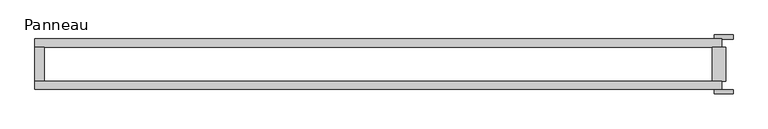
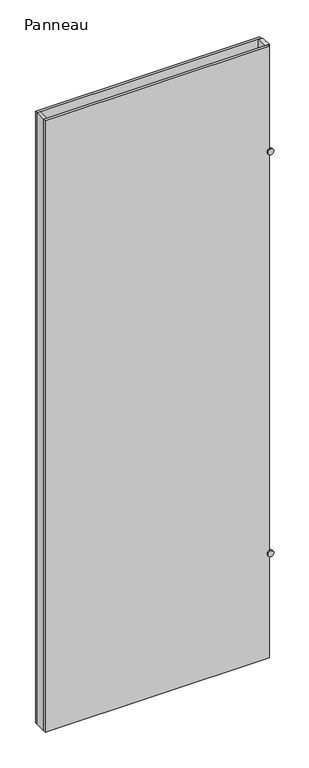
"""IFC4 building model written with IfcOpenShell, lengths in millimetres: plate geometry, Panneau."""

import ifcopenshell
import ifcopenshell.guid

model = None  # the IFC model being written
_history = None  # IfcOwnerHistory: only IFC2X3 demands one
_inside = {}  # id of a spatial element -> (the spatial element, [elements in it])
_under = {}  # id of a project, library or spatial element -> (it, [spatial elements below it])
_declared = {}  # id of a project -> (the project, [libraries it declares])
_typed = {}  # id of a type object -> (the type object, [elements of that type])
_made_of = {}  # id of a material, layer set ... -> (it, [elements and type objects made of it])


def new_model(schema):
    """Start an empty IFC model of exactly this schema.

    Asked for "IFC4X3", IfcOpenShell would pick the latest addendum, in which some entities
    have other attributes; the version numbers below select the first issue.
    IFC2X3 requires an IfcOwnerHistory on every rooted entity: one is made here for all.
    """
    global model, _history
    if schema == "IFC4X3":
        model = ifcopenshell.file(schema_version=(4, 3, 0, 0))
    else:
        model = ifcopenshell.file(schema=schema)
    _inside.clear()
    _under.clear()
    _declared.clear()
    _typed.clear()
    _made_of.clear()
    _history = None
    if model.schema == "IFC2X3":
        org = make("IfcOrganization", Name="unknown")
        user = make(
            "IfcPersonAndOrganization",
            ThePerson=make("IfcPerson", FamilyName="unknown"),
            TheOrganization=org,
        )
        app = make(
            "IfcApplication",
            ApplicationDeveloper=org,
            Version="unknown",
            ApplicationFullName="unknown",
            ApplicationIdentifier="unknown",
        )
        _history = make(
            "IfcOwnerHistory",
            OwningUser=user,
            OwningApplication=app,
            ChangeAction="ADDED",
            CreationDate=0,
        )
    return model


def make(cls, **values):
    """One entity of the class cls with the attributes given. An attribute that is None is left unset."""
    return model.create_entity(
        cls, **{name: value for name, value in values.items() if value is not None}
    )


def rooted(cls, **values):
    """An entity with a GlobalId (a new one), such as an element, a storey or a relation."""
    return make(cls, GlobalId=ifcopenshell.guid.new(), OwnerHistory=_history, **values)


def si_unit(unit_type, name, prefix=None):
    """IfcSIUnit, for example si_unit("LENGTHUNIT", "METRE", prefix="MILLI")."""
    return make("IfcSIUnit", UnitType=unit_type, Prefix=prefix, Name=name)


def assignment(units):
    """IfcUnitAssignment: the units of a project."""
    return None if units is None else make("IfcUnitAssignment", Units=units)


def point(xyz):
    """IfcCartesianPoint."""
    return None if xyz is None else make("IfcCartesianPoint", Coordinates=xyz)


def direction(xyz):
    """IfcDirection."""
    return None if xyz is None else make("IfcDirection", DirectionRatios=xyz)


def frame(location, z_axis=None, x_axis=None):
    """IfcAxis2Placement3D, a coordinate frame: its origin and axes. An axis left out is left unset."""
    return make(
        "IfcAxis2Placement3D",
        Location=point(location),
        Axis=direction(z_axis),
        RefDirection=direction(x_axis),
    )


def frame_2d(location, x_axis=None):
    """IfcAxis2Placement2D, a coordinate frame in the plane: its origin and x axis."""
    return make(
        "IfcAxis2Placement2D", Location=point(location), RefDirection=direction(x_axis)
    )


def origin():
    """The frame at (0, 0, 0) with its axes left unset."""
    return frame((0.0, 0.0, 0.0))


def origin_with_axes():
    """The frame at (0, 0, 0) with the z axis (0, 0, 1) and the x axis (1, 0, 0) written out."""
    return frame((0.0, 0.0, 0.0), z_axis=(0.0, 0.0, 1.0), x_axis=(1.0, 0.0, 0.0))


def place(relative_to, where):
    """IfcLocalPlacement: puts the frame where relative to a parent placement (None: the world)."""
    return make(
        "IfcLocalPlacement", PlacementRelTo=relative_to, RelativePlacement=where
    )


def context(
    kind, dimensions, precision=None, world=None, true_north=None, identifier=None
):
    """IfcGeometricRepresentationContext, for example the 3D "Model" context."""
    return make(
        "IfcGeometricRepresentationContext",
        ContextIdentifier=identifier,
        ContextType=kind,
        CoordinateSpaceDimension=dimensions,
        Precision=precision,
        WorldCoordinateSystem=world,
        TrueNorth=true_north,
    )


def project(units=None, contexts=None):
    """IfcProject with its units and contexts."""
    return rooted(
        "IfcProject",
        Name="project",
        RepresentationContexts=contexts,
        UnitsInContext=assignment(units),
    )


def spatial(cls, under=None, at=None, **own):
    """A site, building, storey or space (cls), placed at a placement, below another one or the project."""
    s = rooted(cls, ObjectPlacement=at, **own)
    if under is not None:
        _under.setdefault(under.id(), (under, []))[1].append(s)
    return s


def polyline(points):
    """IfcPolyline through the points."""
    return make("IfcPolyline", Points=[point(p) for p in points])


def circle_curve(where, radius):
    """IfcCircle in the frame where."""
    return make("IfcCircle", Position=where, Radius=radius)


def trimmed(basis, trim1, trim2, sense, master):
    """IfcTrimmedCurve: the piece of a basis curve between two trims."""
    return make(
        "IfcTrimmedCurve",
        BasisCurve=basis,
        Trim1=trim1,
        Trim2=trim2,
        SenseAgreement=sense,
        MasterRepresentation=master,
    )


def segment(curve, same_sense, transition):
    """IfcCompositeCurveSegment."""
    return make(
        "IfcCompositeCurveSegment",
        Transition=transition,
        SameSense=same_sense,
        ParentCurve=curve,
    )


def composite_curve(segments, self_intersect=None):
    """IfcCompositeCurve: segments joined end to end."""
    return make("IfcCompositeCurve", Segments=segments, SelfIntersect=self_intersect)


def outline(outer, holes=None, kind="AREA"):
    """IfcArbitraryClosedProfileDef: a profile drawn as a closed curve; with holes, ...WithVoids."""
    if holes is None:
        return make("IfcArbitraryClosedProfileDef", ProfileType=kind, OuterCurve=outer)
    return make(
        "IfcArbitraryProfileDefWithVoids",
        ProfileType=kind,
        OuterCurve=outer,
        InnerCurves=holes,
    )


def extrude(swept, where, along, depth):
    """IfcExtrudedAreaSolid: the profile swept, set in the frame where, extruded along a direction by depth."""
    return make(
        "IfcExtrudedAreaSolid",
        SweptArea=swept,
        Position=where,
        ExtrudedDirection=direction(along),
        Depth=depth,
    )


def shape(context_of_items, identifier, shape_type, items):
    """IfcShapeRepresentation: the items that make up one representation, for example the "Body"."""
    return make(
        "IfcShapeRepresentation",
        ContextOfItems=context_of_items,
        RepresentationIdentifier=identifier,
        RepresentationType=shape_type,
        Items=items,
    )


def source(mapping_origin, context_of_items, identifier, shape_type, items):
    """IfcRepresentationMap: a shape defined once, which mapped items show again and again."""
    return make(
        "IfcRepresentationMap",
        MappingOrigin=mapping_origin,
        MappedRepresentation=shape(context_of_items, identifier, shape_type, items),
    )


def transform(
    local_origin,
    x_axis=None,
    y_axis=None,
    z_axis=None,
    scale=None,
    scale2=None,
    scale3=None,
    uniform=True,
):
    """IfcCartesianTransformationOperator3D, or its non-uniform kind. x_axis, y_axis, z_axis: its Axis1, 2, 3."""
    if uniform:
        return make(
            "IfcCartesianTransformationOperator3D",
            Axis1=direction(x_axis),
            Axis2=direction(y_axis),
            LocalOrigin=point(local_origin),
            Scale=scale,
            Axis3=direction(z_axis),
        )
    return make(
        "IfcCartesianTransformationOperator3DnonUniform",
        Axis1=direction(x_axis),
        Axis2=direction(y_axis),
        LocalOrigin=point(local_origin),
        Scale=scale,
        Axis3=direction(z_axis),
        Scale2=scale2,
        Scale3=scale3,
    )


def mapped(mapping_source, mapping_target):
    """IfcMappedItem: shows the shape of a source again, moved by a transform."""
    return make(
        "IfcMappedItem", MappingSource=mapping_source, MappingTarget=mapping_target
    )


def made_of(thing, what):
    """Note that an element or type object is made of a material, layer set ...; save() writes the relation."""
    if what is not None:
        _made_of.setdefault(what.id(), (what, []))[1].append(thing)
    return thing


def element(
    cls,
    number,
    at=None,
    inside=None,
    cuts=None,
    type_object=None,
    material=None,
    context=None,
    identifier="Body",
    shape_type=None,
    held_by="IfcProductDefinitionShape",
    body=None,
    shapes=None,
    **own,
):
    """One element of the class cls, such as IfcWall. Its Tag is "e" and its number.

    at: its placement. inside: the storey or other place that contains it. cuts: it is an
    opening in that element (IfcRelVoidsElement). A single representation is given by context,
    identifier, shape_type and body (its items); several are given by shapes. held_by: the class
    of the entity that holds the representations. save() writes the other relations.
    """
    e = rooted(cls, Tag="e%d" % number, ObjectPlacement=at, **own)
    if body is not None:
        shapes = [shape(context, identifier, shape_type, body)]
    if shapes is not None:
        e.Representation = make(held_by, Representations=shapes)
    if inside is not None:
        _inside.setdefault(inside.id(), (inside, []))[1].append(e)
    if cuts is not None:
        rooted(
            "IfcRelVoidsElement", RelatingBuildingElement=cuts, RelatedOpeningElement=e
        )
    if type_object is not None:
        _typed.setdefault(type_object.id(), (type_object, []))[1].append(e)
    return made_of(e, material)


def aggregate(whole, parts):
    """IfcRelAggregates: a whole, such as a stair, and the parts it consists of."""
    return rooted("IfcRelAggregates", RelatingObject=whole, RelatedObjects=parts)


def save(model, path):
    """Write the relations noted so far, then the file.

    IfcRelAggregates (storeys below a building ...), IfcRelContainedInSpatialStructure (elements
    in a storey), IfcRelDefinesByType, IfcRelAssociatesMaterial and IfcRelDeclares: one each for
    every whole, place, type object, material and project.
    """
    for whole, parts in _under.values():
        aggregate(whole, parts)
    for where, things in _inside.values():
        rooted(
            "IfcRelContainedInSpatialStructure",
            RelatedElements=things,
            RelatingStructure=where,
        )
    for kind, things in _typed.values():
        rooted("IfcRelDefinesByType", RelatedObjects=things, RelatingType=kind)
    for what, things in _made_of.values():
        rooted("IfcRelAssociatesMaterial", RelatedObjects=things, RelatingMaterial=what)
    for by, libraries in _declared.values():
        rooted("IfcRelDeclares", RelatingContext=by, RelatedDefinitions=libraries)
    model.write(path)


def panneau_d38c0307(model_context):
    return source(origin(), model_context, "Body", "SweptSolid", [
        extrude(outline(polyline([(503.108201, -37.2), (-509.108201, -37.2), (-509.108201, -25.2), (503.108201, -25.2), (503.108201, -37.2)])), origin_with_axes(), (0.0, 0.0, 1.0), 2915.0),
        extrude(outline(composite_curve([segment(trimmed(circle_curve(frame_2d((500.0, 506.108201)), 14.0), [point((500.0, 492.108201))], [point((500.0, 520.108201))], False, "CARTESIAN"), True, "CONTINUOUS"), segment(trimmed(circle_curve(frame_2d((500.0, 506.108201)), 14.0), [point((500.0, 520.108201))], [point((500.0, 492.108201))], False, "CARTESIAN"), True, "CONTINUOUS")], self_intersect=False)), frame((0.0, 37.2, 0.0), z_axis=(0.0, 1.0, 0.0), x_axis=(0.0, 0.0, 1.0)), (0.0, 0.0, 1.0), 6.0),
        extrude(outline(composite_curve([segment(trimmed(circle_curve(frame_2d((2415.0, 506.108201)), 14.0), [point((2415.0, 492.108201))], [point((2415.0, 520.108201))], False, "CARTESIAN"), True, "CONTINUOUS"), segment(trimmed(circle_curve(frame_2d((2415.0, 506.108201)), 14.0), [point((2415.0, 520.108201))], [point((2415.0, 492.108201))], False, "CARTESIAN"), True, "CONTINUOUS")], self_intersect=False)), frame((0.0, 37.2, 0.0), z_axis=(0.0, 1.0, 0.0), x_axis=(0.0, 0.0, 1.0)), (0.0, 0.0, 1.0), 6.0),
        extrude(outline(composite_curve([segment(trimmed(circle_curve(frame_2d((2415.0, 506.108201)), 14.0), [point((2415.0, 492.108201))], [point((2415.0, 520.108201))], False, "CARTESIAN"), True, "CONTINUOUS"), segment(trimmed(circle_curve(frame_2d((2415.0, 506.108201)), 14.0), [point((2415.0, 520.108201))], [point((2415.0, 492.108201))], False, "CARTESIAN"), True, "CONTINUOUS")], self_intersect=False)), frame((0.0, -43.2, 0.0), z_axis=(0.0, 1.0, 0.0), x_axis=(0.0, 0.0, 1.0)), (0.0, 0.0, 1.0), 6.0),
        extrude(outline(composite_curve([segment(trimmed(circle_curve(frame_2d((500.0, 506.108201)), 14.0), [point((500.0, 492.108201))], [point((500.0, 520.108201))], False, "CARTESIAN"), True, "CONTINUOUS"), segment(trimmed(circle_curve(frame_2d((500.0, 506.108201)), 14.0), [point((500.0, 520.108201))], [point((500.0, 492.108201))], False, "CARTESIAN"), True, "CONTINUOUS")], self_intersect=False)), frame((0.0, -43.2, 0.0), z_axis=(0.0, 1.0, 0.0), x_axis=(0.0, 0.0, 1.0)), (0.0, 0.0, 1.0), 6.0),
        extrude(outline(polyline([(-495.108201, 25.2), (-495.108201, -25.2), (-509.108201, -25.2), (-509.108201, 25.2), (-495.108201, 25.2)])), origin_with_axes(), (0.0, 0.0, 1.0), 2915.0),
        extrude(outline(polyline([(509.108201, 25.2), (509.108201, -25.2), (489.108201, -25.2), (489.108201, 25.2), (509.108201, 25.2)])), origin_with_axes(), (0.0, 0.0, 1.0), 2915.0),
        extrude(outline(polyline([(503.108201, 25.2), (-509.108201, 25.2), (-509.108201, 37.2), (503.108201, 37.2), (503.108201, 25.2)])), origin_with_axes(), (0.0, 0.0, 1.0), 2915.0),
    ])


if __name__ == "__main__":
    model = new_model("IFC4")
    model_context = context("Model", 3, world=origin())
    ifc_project = project(units=[si_unit("LENGTHUNIT", "METRE", prefix="MILLI")], contexts=[model_context])
    site = spatial("IfcSite", under=ifc_project)
    building = spatial("IfcBuilding", under=site)
    placement = place(None, origin())
    panneau_shape = panneau_d38c0307(model_context)
    element("IfcPlate", 1, ObjectType="Panneau", at=placement, inside=building, context=model_context, shape_type="MappedRepresentation", body=[
        mapped(panneau_shape, transform((0.0, 0.0, 0.0), x_axis=(1.0, 0.0, 0.0), y_axis=(0.0, 1.0, 0.0), z_axis=(0.0, 0.0, 1.0))),
    ])
    save(model, "model.ifc")
